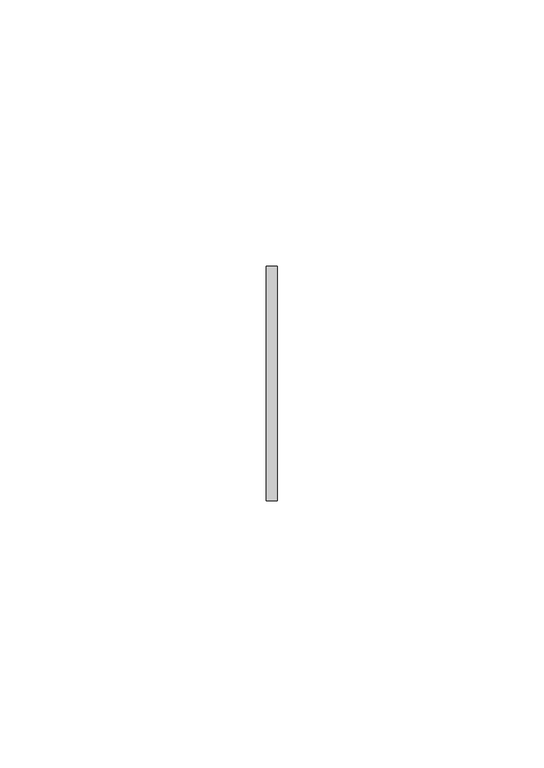
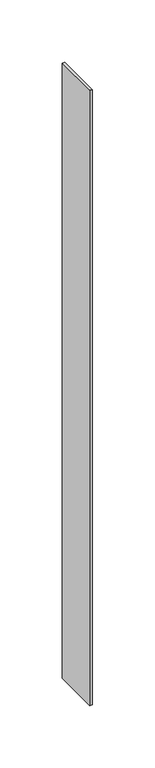
"""IFC4 building model written with IfcOpenShell, lengths in millimetres: member geometry."""

from ifc_helpers import new_model, si_unit, frame, origin, place, context, project, spatial, polyline, outline, extrude, source, transform, mapped, element, save


def member_f72cd4af(model_context):
    return source(origin(), model_context, "Body", "SweptSolid", [
        extrude(outline(polyline([(1.0, 22.0), (1.0, -22.0), (-1.0, -22.0), (-1.0, 22.0), (1.0, 22.0)])), frame((0.0, 0.0, -601.0), z_axis=(0.0, 0.0, 1.0), x_axis=(1.0, 0.0, 0.0)), (0.0, 0.0, 1.0), 601.0),
    ])


if __name__ == "__main__":
    model = new_model("IFC4")
    model_context = context("Model", 3, world=origin())
    ifc_project = project(units=[si_unit("LENGTHUNIT", "METRE", prefix="MILLI")], contexts=[model_context])
    site = spatial("IfcSite", under=ifc_project)
    building = spatial("IfcBuilding", under=site)
    placement = place(None, origin())
    member_shape = member_f72cd4af(model_context)
    element("IfcMember", 1, at=placement, inside=building, context=model_context, shape_type="MappedRepresentation", body=[
        mapped(member_shape, transform((0.0, 0.0, 0.0), x_axis=(1.0, 0.0, 0.0), y_axis=(0.0, 1.0, 0.0), z_axis=(0.0, 0.0, 1.0))),
    ])
    save(model, "model.ifc")
